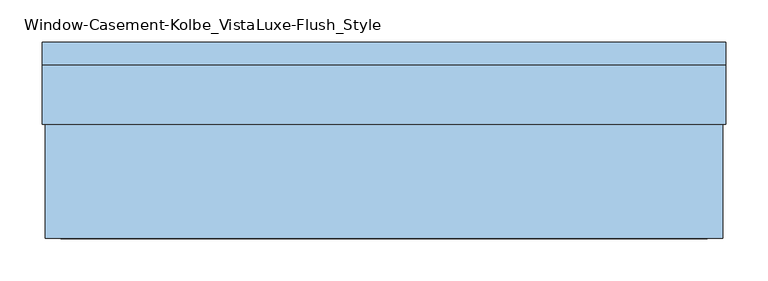
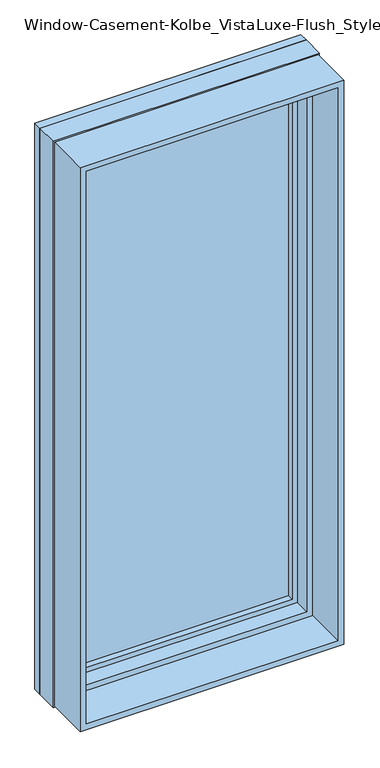
"""IFC4 building model written with IfcOpenShell, lengths in millimetres: window geometry, Window-Casement-Kolbe_VistaLuxe-Flush_Style."""

from ifc_helpers import new_model, si_unit, frame, origin, place, context, project, spatial, polyline, outline, extrude, faceted_brep, source, transform, mapped, element, save


def window_casement_kolbe_vistaluxe_flush_style_09a0a9c4(model_context):
    return source(origin(), model_context, "Body", "SolidModel", [
        faceted_brep([(-355.6696599, 121.37898, 970.676875), (344.5765901, 121.37898, 970.676875), (344.5765901, 129.31648, 970.676875), (-355.6696599, 129.31648, 970.676875), (-371.5446599, 99.12858, 954.801875), (360.4515901, 99.12858, 954.801875), (360.4515901, 121.37898, 954.801875), (-371.5446599, 121.37898, 954.801875), (-355.6696599, 80.10398, 970.676875), (344.5765901, 80.10398, 970.676875), (344.5765901, 99.12858, 970.676875), (-355.6696599, 99.12858, 970.676875), (-400.1196599, 129.31648, 926.226875), (389.0265901, 129.31648, 926.226875), (389.0265901, 80.10398, 926.226875), (-400.1196599, 80.10398, 926.226875), (344.5765901, 121.37898, 2686.923125), (344.5765901, 129.31648, 2686.923125), (360.4515901, 99.12858, 2702.798125), (360.4515901, 121.37898, 2702.798125), (344.5765901, 80.10398, 2686.923125), (344.5765901, 99.12858, 2686.923125), (389.0265901, 129.31648, 2731.373125), (389.0265901, 80.10398, 2731.373125), (-355.6696599, 121.37898, 2686.923125), (-355.6696599, 129.31648, 2686.923125), (-371.5446599, 99.12858, 2702.798125), (-371.5446599, 121.37898, 2702.798125), (-355.6696599, 80.10398, 2686.923125), (-355.6696599, 99.12858, 2686.923125), (-400.1196599, 129.31648, 2731.373125), (-400.1196599, 80.10398, 2731.373125)], [[[0, 1, 2, 3]], [[4, 5, 6, 7]], [[8, 9, 10, 11]], [[12, 13, 14, 15]], [[1, 16, 17, 2]], [[5, 18, 19, 6]], [[9, 20, 21, 10]], [[13, 22, 23, 14]], [[16, 24, 25, 17]], [[18, 26, 27, 19]], [[20, 28, 29, 21]], [[22, 30, 31, 23]], [[24, 0, 3, 25]], [[7, 6, 19, 27], [1, 0, 24, 16]], [[26, 4, 7, 27]], [[5, 4, 26, 18], [11, 10, 21, 29]], [[28, 8, 11, 29]], [[15, 14, 23, 31], [9, 8, 28, 20]], [[30, 12, 15, 31]], [[13, 12, 30, 22], [3, 2, 17, 25]]]),
        extrude(outline(polyline([(2739.6186, -408.3651349), (917.9814, -408.3651349), (917.9814, 397.2720651), (2739.6186, 397.2720651), (2739.6186, -408.3651349)]), holes=[polyline([(936.545625, -389.8009099), (2721.054375, -389.8009099), (2721.054375, 378.7078401), (936.545625, 378.7078401), (936.545625, -389.8009099)])]), frame((0.0, -103.1875, 0.0), z_axis=(0.0, 1.0, 0.0), x_axis=(0.0, 0.0, 1.0)), (0.0, 0.0, 1.0), 135.7122),
        extrude(outline(polyline([(2743.2, 400.8534651), (2743.2, -411.9465349), (914.4, -411.9465349), (914.4, 400.8534651), (2743.2, 400.8534651)]), holes=[polyline([(2731.373125, -400.1196599), (2731.373125, 389.0265901), (926.226875, 389.0265901), (926.226875, -400.1196599), (2731.373125, -400.1196599)])]), frame((0.0, 103.1875, 0.0), z_axis=(0.0, 1.0, 0.0), x_axis=(0.0, 0.0, 1.0)), (0.0, 0.0, 1.0), 26.924),
        faceted_brep([(400.8534651, 32.5247, 914.4), (-411.9465349, 32.5247, 914.4), (-411.9465349, 103.1875, 914.4), (400.8534651, 103.1875, 914.4), (378.7078401, 80.10525, 936.545625), (-389.8009099, 80.10525, 936.545625), (-389.8009099, 32.5247, 936.545625), (378.7078401, 32.5247, 936.545625), (389.0265901, 103.1875, 926.226875), (-400.1196599, 103.1875, 926.226875), (-400.1196599, 80.10525, 926.226875), (389.0265901, 80.10525, 926.226875), (-411.9465349, 32.5247, 2743.2), (-411.9465349, 103.1875, 2743.2), (-389.8009099, 80.10525, 2721.054375), (-389.8009099, 32.5247, 2721.054375), (-400.1196599, 103.1875, 2731.373125), (-400.1196599, 80.10525, 2731.373125), (400.8534651, 32.5247, 2743.2), (400.8534651, 103.1875, 2743.2), (378.7078401, 80.10525, 2721.054375), (378.7078401, 32.5247, 2721.054375), (389.0265901, 103.1875, 2731.373125), (389.0265901, 80.10525, 2731.373125)], [[[0, 1, 2, 3]], [[4, 5, 6, 7]], [[8, 9, 10, 11]], [[1, 12, 13, 2]], [[5, 14, 15, 6]], [[9, 16, 17, 10]], [[12, 18, 19, 13]], [[14, 20, 21, 15]], [[16, 22, 23, 17]], [[18, 0, 3, 19]], [[1, 0, 18, 12], [7, 6, 15, 21]], [[20, 4, 7, 21]], [[11, 10, 17, 23], [5, 4, 20, 14]], [[22, 8, 11, 23]], [[3, 2, 13, 19], [9, 8, 22, 16]]]),
        extrude(outline(polyline([(357.2765901, 102.30358), (357.2765901, 99.12858), (-368.3696599, 99.12858), (-368.3696599, 102.30358), (357.2765901, 102.30358)])), frame((0.0, 0.0, 957.976875), z_axis=(0.0, 0.0, 1.0), x_axis=(1.0, 0.0, 0.0)), (0.0, 0.0, 1.0), 1741.64625),
        extrude(outline(polyline([(357.2765901, 118.20398), (-368.3696599, 118.20398), (-368.3696599, 121.37898), (357.2765901, 121.37898), (357.2765901, 118.20398)])), frame((0.0, 0.0, 957.976875), z_axis=(0.0, 0.0, 1.0), x_axis=(1.0, 0.0, 0.0)), (0.0, 0.0, 1.0), 1741.64625),
        extrude(outline(polyline([(936.545625, -389.8009099), (936.545625, 378.7078401), (2721.054375, 378.7078401), (2721.054375, -389.8009099), (936.545625, -389.8009099)]), holes=[polyline([(954.801875, 360.4515901), (954.801875, -371.5446599), (2702.798125, -371.5446599), (2702.798125, 360.4515901), (954.801875, 360.4515901)])]), frame((0.0, 29.30525, 0.0), z_axis=(0.0, 1.0, 0.0), x_axis=(0.0, 0.0, 1.0)), (0.0, 0.0, 1.0), 50.8),
    ])


if __name__ == "__main__":
    model = new_model("IFC4")
    model_context = context("Model", 3, world=origin())
    ifc_project = project(units=[si_unit("LENGTHUNIT", "METRE", prefix="MILLI")], contexts=[model_context])
    site = spatial("IfcSite", under=ifc_project)
    building = spatial("IfcBuilding", under=site)
    placement = place(None, origin())
    window_casement_kolbe_vistaluxe_flush_style_shape = window_casement_kolbe_vistaluxe_flush_style_09a0a9c4(model_context)
    element("IfcWindow", 1, ObjectType="Window-Casement-Kolbe_VistaLuxe-Flush_Style", at=placement, inside=building, context=model_context, shape_type="MappedRepresentation", body=[
        mapped(window_casement_kolbe_vistaluxe_flush_style_shape, transform((0.0, 0.0, 0.0), x_axis=(1.0, 0.0, 0.0), y_axis=(0.0, 1.0, 0.0), z_axis=(0.0, 0.0, 1.0))),
    ])
    save(model, "model.ifc")
